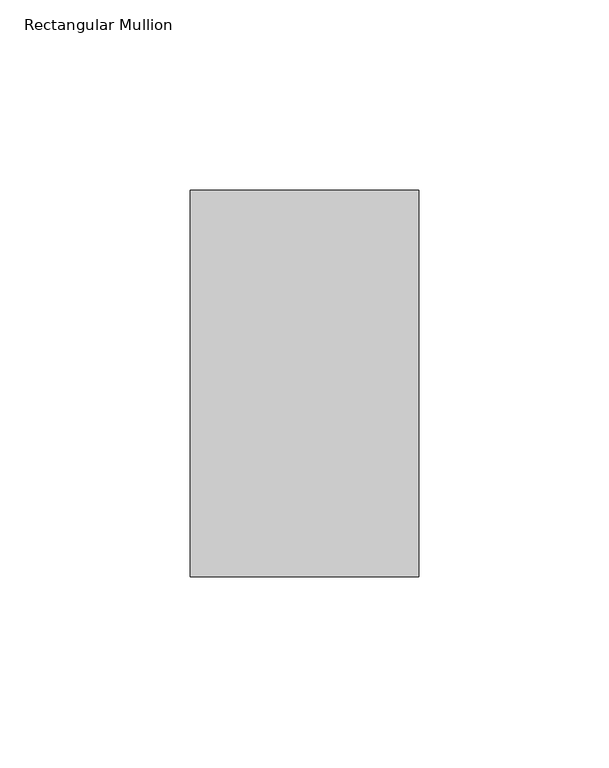
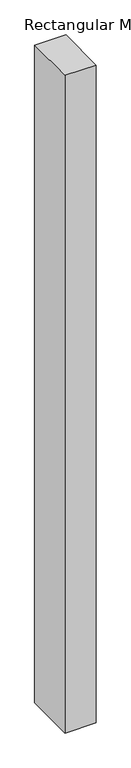
"""IFC4 building model written with IfcOpenShell, lengths in millimetres: member geometry, Rectangular Mullion."""

from ifc_helpers import new_model, si_unit, frame, origin, place, context, project, spatial, polyline, outline, extrude, source, transform, mapped, element, save


def rectangular_mullion_e9744c82(model_context):
    return source(origin(), model_context, "Body", "SweptSolid", [
        extrude(outline(polyline([(30.0, 50.8), (30.0, -50.8), (-30.0, -50.8), (-30.0, 50.8), (30.0, 50.8)])), frame((0.0, 0.0, -1340.0), z_axis=(0.0, 0.0, 1.0), x_axis=(1.0, 0.0, 0.0)), (0.0, 0.0, 1.0), 1340.0),
    ])


if __name__ == "__main__":
    model = new_model("IFC4")
    model_context = context("Model", 3, world=origin())
    ifc_project = project(units=[si_unit("LENGTHUNIT", "METRE", prefix="MILLI")], contexts=[model_context])
    site = spatial("IfcSite", under=ifc_project)
    building = spatial("IfcBuilding", under=site)
    placement = place(None, origin())
    rectangular_mullion_shape = rectangular_mullion_e9744c82(model_context)
    element("IfcMember", 1, ObjectType="Rectangular Mullion", at=placement, inside=building, context=model_context, shape_type="MappedRepresentation", body=[
        mapped(rectangular_mullion_shape, transform((0.0, 0.0, 0.0), x_axis=(1.0, 0.0, 0.0), y_axis=(0.0, 1.0, 0.0), z_axis=(0.0, 0.0, 1.0))),
    ])
    save(model, "model.ifc")
